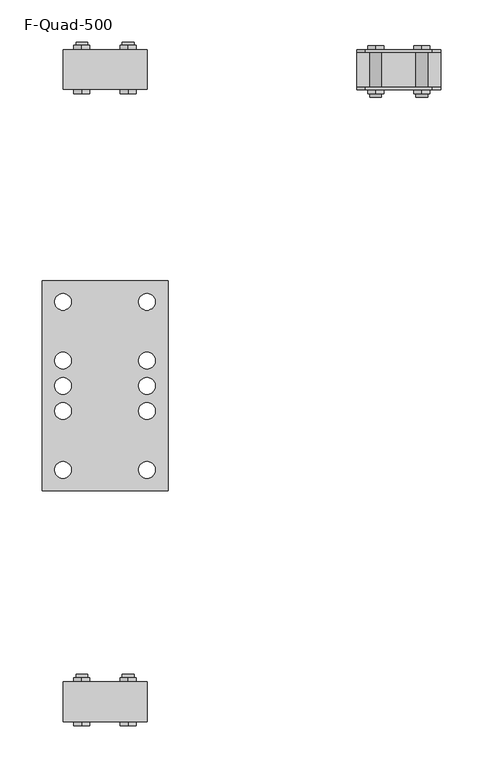
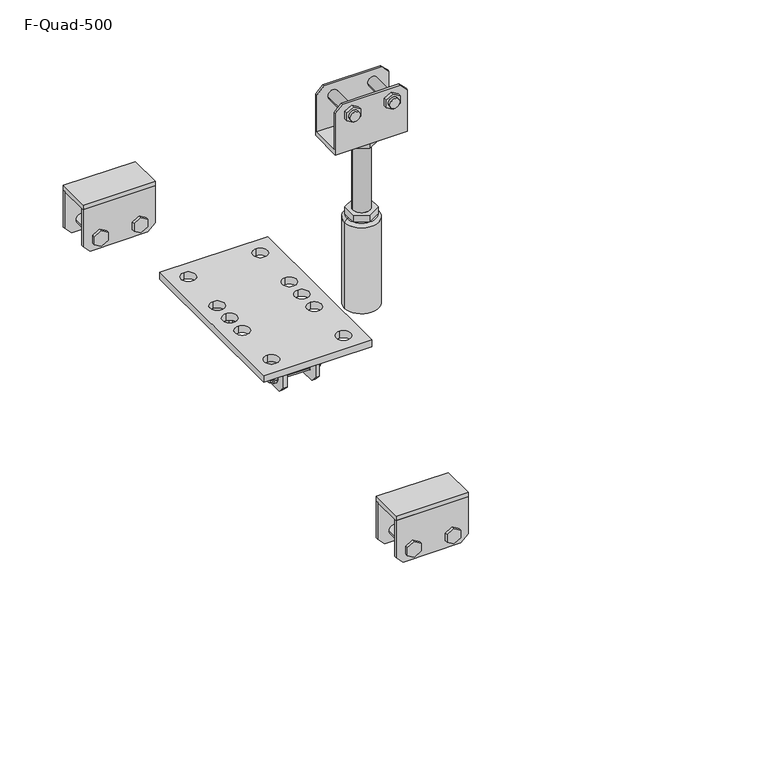
"""IFC4 building model written with IfcOpenShell, lengths in millimetres: beam geometry, F-Quad-500."""

from ifc_helpers import new_model, si_unit, point, frame, frame_2d, origin, place, context, project, spatial, polyline, circle_curve, trimmed, segment, composite_curve, outline, extrude, source, transform, mapped, element, save
from ifc_brep_helpers import plane_surface, cylinder_surface, revolved_surface, advanced_brep


def f_quad_500_01704da3(model_context):
    return source(origin(), model_context, "Body", "SolidModel", [
        extrude(outline(polyline([(318.0757687, 299.4463319), (313.7739454, 293.3026916), (306.3024852, 293.9563597), (303.1328482, 300.7536681), (307.4346715, 306.8973084), (314.9061317, 306.2436403), (318.0757687, 299.4463319)])), frame((320.0, 0.0, 0.0), z_axis=(1.0, 0.0, 0.0), x_axis=(0.0, 1.0, 0.0)), (0.0, 0.0, 1.0), 5.0),
        extrude(outline(polyline([(438.7260546, 306.8973084), (446.1975148, 306.2436403), (449.3671518, 299.4463319), (445.0653285, 293.3026916), (437.5938683, 293.9563597), (434.4242313, 300.7536681), (438.7260546, 306.8973084)])), frame((320.0, 0.0, 0.0), z_axis=(1.0, 0.0, 0.0), x_axis=(0.0, 1.0, 0.0)), (0.0, 0.0, 1.0), 5.0),
        extrude(outline(polyline([(307.4346715, 306.8973084), (314.9061317, 306.2436403), (318.0757687, 299.4463319), (313.7739454, 293.3026916), (306.3024852, 293.9563597), (303.1328482, 300.7536681), (307.4346715, 306.8973084)]), holes=[composite_curve([segment(trimmed(circle_curve(frame_2d((310.6043085, 300.1)), 5.0), [point((305.6043085, 300.1))], [point((315.6043085, 300.1))], True, "CARTESIAN"), True, "CONTINUOUS"), segment(trimmed(circle_curve(frame_2d((310.6043085, 300.1)), 5.0), [point((315.6043085, 300.1))], [point((305.6043085, 300.1))], True, "CARTESIAN"), True, "CONTINUOUS")], self_intersect=False)]), frame((375.0, 0.0, 0.0), z_axis=(1.0, 0.0, 0.0), x_axis=(0.0, 1.0, 0.0)), (0.0, 0.0, 1.0), 5.0),
        extrude(outline(polyline([(438.7260546, 306.8973084), (446.1975148, 306.2436403), (449.3671518, 299.4463319), (445.0653285, 293.3026916), (437.5938683, 293.9563597), (434.4242313, 300.7536681), (438.7260546, 306.8973084)]), holes=[composite_curve([segment(trimmed(circle_curve(frame_2d((441.8956915, 300.1)), 5.0), [point((436.8956915, 300.1))], [point((446.8956915, 300.1))], True, "CARTESIAN"), True, "CONTINUOUS"), segment(trimmed(circle_curve(frame_2d((441.8956915, 300.1)), 5.0), [point((446.8956915, 300.1))], [point((436.8956915, 300.1))], True, "CARTESIAN"), True, "CONTINUOUS")], self_intersect=False)]), frame((375.0, 0.0, 0.0), z_axis=(1.0, 0.0, 0.0), x_axis=(0.0, 1.0, 0.0)), (0.0, 0.0, 1.0), 5.0),
        extrude(outline(composite_curve([segment(trimmed(circle_curve(frame_2d((310.6043085, 300.1)), 5.0), [point((315.6043085, 300.1))], [point((305.6043085, 300.1))], False, "CARTESIAN"), True, "CONTINUOUS"), segment(trimmed(circle_curve(frame_2d((310.6043085, 300.1)), 5.0), [point((305.6043085, 300.1))], [point((315.6043085, 300.1))], False, "CARTESIAN"), True, "CONTINUOUS")], self_intersect=False)), frame((315.760692, 0.0, 0.0), z_axis=(1.0, 0.0, 0.0), x_axis=(0.0, 1.0, 0.0)), (0.0, 0.0, 1.0), 69.4002716),
        extrude(outline(composite_curve([segment(trimmed(circle_curve(frame_2d((441.8956915, 300.1)), 5.0), [point((446.8956915, 300.1))], [point((436.8956915, 300.1))], False, "CARTESIAN"), True, "CONTINUOUS"), segment(trimmed(circle_curve(frame_2d((441.8956915, 300.1)), 5.0), [point((436.8956915, 300.1))], [point((446.8956915, 300.1))], False, "CARTESIAN"), True, "CONTINUOUS")], self_intersect=False)), frame((315.760692, 0.0, 0.0), z_axis=(1.0, 0.0, 0.0), x_axis=(0.0, 1.0, 0.0)), (0.0, 0.0, 1.0), 69.4002716),
        extrude(outline(polyline([(421.8956915, 345.1), (461.8956915, 345.1), (461.8956915, 295.1), (451.8956915, 285.1), (431.8956915, 285.1), (421.8956915, 295.1), (421.8956915, 345.1)]), holes=[composite_curve([segment(trimmed(circle_curve(frame_2d((441.8956915, 300.1)), 5.0), [point((446.8956915, 300.1))], [point((436.8956915, 300.1))], True, "CARTESIAN"), True, "CONTINUOUS"), segment(trimmed(circle_curve(frame_2d((441.8956915, 300.1)), 5.0), [point((436.8956915, 300.1))], [point((446.8956915, 300.1))], True, "CARTESIAN"), True, "CONTINUOUS")], self_intersect=False)]), frame((325.0, 0.0, 0.0), z_axis=(1.0, 0.0, 0.0), x_axis=(0.0, 1.0, 0.0)), (0.0, 0.0, 1.0), 5.0),
        extrude(outline(polyline([(330.6043085, 345.1), (330.6043085, 295.1), (320.6043085, 285.1), (300.6043085, 285.1), (290.6043085, 295.1), (290.6043085, 345.1), (330.6043085, 345.1)]), holes=[composite_curve([segment(trimmed(circle_curve(frame_2d((310.6043085, 300.1)), 5.0), [point((305.6043085, 300.1))], [point((315.6043085, 300.1))], True, "CARTESIAN"), True, "CONTINUOUS"), segment(trimmed(circle_curve(frame_2d((310.6043085, 300.1)), 5.0), [point((315.6043085, 300.1))], [point((305.6043085, 300.1))], True, "CARTESIAN"), True, "CONTINUOUS")], self_intersect=False)]), frame((325.0, 0.0, 0.0), z_axis=(1.0, 0.0, 0.0), x_axis=(0.0, 1.0, 0.0)), (0.0, 0.0, 1.0), 5.0),
        extrude(outline(polyline([(421.8956915, 345.1), (461.8956915, 345.1), (461.8956915, 295.1), (451.8956915, 285.1), (431.8956915, 285.1), (421.8956915, 295.1), (421.8956915, 345.1)]), holes=[composite_curve([segment(trimmed(circle_curve(frame_2d((441.8956915, 300.1)), 5.0), [point((446.8956915, 300.1))], [point((436.8956915, 300.1))], True, "CARTESIAN"), True, "CONTINUOUS"), segment(trimmed(circle_curve(frame_2d((441.8956915, 300.1)), 5.0), [point((436.8956915, 300.1))], [point((446.8956915, 300.1))], True, "CARTESIAN"), True, "CONTINUOUS")], self_intersect=False)]), frame((370.0, 0.0, 0.0), z_axis=(1.0, 0.0, 0.0), x_axis=(0.0, 1.0, 0.0)), (0.0, 0.0, 1.0), 5.0),
        extrude(outline(polyline([(330.6043085, 345.1), (330.6043085, 295.1), (320.6043085, 285.1), (300.6043085, 285.1), (290.6043085, 295.1), (290.6043085, 345.1), (330.6043085, 345.1)]), holes=[composite_curve([segment(trimmed(circle_curve(frame_2d((310.6043085, 300.1)), 5.0), [point((305.6043085, 300.1))], [point((315.6043085, 300.1))], True, "CARTESIAN"), True, "CONTINUOUS"), segment(trimmed(circle_curve(frame_2d((310.6043085, 300.1)), 5.0), [point((315.6043085, 300.1))], [point((305.6043085, 300.1))], True, "CARTESIAN"), True, "CONTINUOUS")], self_intersect=False)]), frame((370.0, 0.0, 0.0), z_axis=(1.0, 0.0, 0.0), x_axis=(0.0, 1.0, 0.0)), (0.0, 0.0, 1.0), 5.0),
        extrude(outline(polyline([(425.0, 501.25), (425.0, 251.25), (275.0, 251.25), (275.0, 501.25), (425.0, 501.25)]), holes=[composite_curve([segment(trimmed(circle_curve(frame_2d((300.0, 276.25)), 10.0), [point((300.0, 266.25))], [point((300.0, 286.25))], True, "CARTESIAN"), True, "CONTINUOUS"), segment(trimmed(circle_curve(frame_2d((300.0, 276.25)), 10.0), [point((300.0, 286.25))], [point((300.0, 266.25))], True, "CARTESIAN"), True, "CONTINUOUS")], self_intersect=False), composite_curve([segment(trimmed(circle_curve(frame_2d((300.0, 376.25)), 10.0), [point((300.0, 366.25))], [point((300.0, 386.25))], True, "CARTESIAN"), True, "CONTINUOUS"), segment(trimmed(circle_curve(frame_2d((300.0, 376.25)), 10.0), [point((300.0, 386.25))], [point((300.0, 366.25))], True, "CARTESIAN"), True, "CONTINUOUS")], self_intersect=False), composite_curve([segment(trimmed(circle_curve(frame_2d((300.0, 346.25)), 10.0), [point((300.0, 336.25))], [point((300.0, 356.25))], True, "CARTESIAN"), True, "CONTINUOUS"), segment(trimmed(circle_curve(frame_2d((300.0, 346.25)), 10.0), [point((300.0, 356.25))], [point((300.0, 336.25))], True, "CARTESIAN"), True, "CONTINUOUS")], self_intersect=False), composite_curve([segment(trimmed(circle_curve(frame_2d((300.0, 476.25)), 10.0), [point((300.0, 486.25))], [point((300.0, 466.25))], True, "CARTESIAN"), True, "CONTINUOUS"), segment(trimmed(circle_curve(frame_2d((300.0, 476.25)), 10.0), [point((300.0, 466.25))], [point((300.0, 486.25))], True, "CARTESIAN"), True, "CONTINUOUS")], self_intersect=False), composite_curve([segment(trimmed(circle_curve(frame_2d((300.0, 406.25)), 10.0), [point((300.0, 416.25))], [point((300.0, 396.25))], True, "CARTESIAN"), True, "CONTINUOUS"), segment(trimmed(circle_curve(frame_2d((300.0, 406.25)), 10.0), [point((300.0, 396.25))], [point((300.0, 416.25))], True, "CARTESIAN"), True, "CONTINUOUS")], self_intersect=False), composite_curve([segment(trimmed(circle_curve(frame_2d((400.0, 276.25)), 10.0), [point((400.0, 266.25))], [point((400.0, 286.25))], True, "CARTESIAN"), True, "CONTINUOUS"), segment(trimmed(circle_curve(frame_2d((400.0, 276.25)), 10.0), [point((400.0, 286.25))], [point((400.0, 266.25))], True, "CARTESIAN"), True, "CONTINUOUS")], self_intersect=False), composite_curve([segment(trimmed(circle_curve(frame_2d((400.0, 376.25)), 10.0), [point((400.0, 366.25))], [point((400.0, 386.25))], True, "CARTESIAN"), True, "CONTINUOUS"), segment(trimmed(circle_curve(frame_2d((400.0, 376.25)), 10.0), [point((400.0, 386.25))], [point((400.0, 366.25))], True, "CARTESIAN"), True, "CONTINUOUS")], self_intersect=False), composite_curve([segment(trimmed(circle_curve(frame_2d((400.0, 346.25)), 10.0), [point((400.0, 336.25))], [point((400.0, 356.25))], True, "CARTESIAN"), True, "CONTINUOUS"), segment(trimmed(circle_curve(frame_2d((400.0, 346.25)), 10.0), [point((400.0, 356.25))], [point((400.0, 336.25))], True, "CARTESIAN"), True, "CONTINUOUS")], self_intersect=False), composite_curve([segment(trimmed(circle_curve(frame_2d((400.0, 476.25)), 10.0), [point((400.0, 486.25))], [point((400.0, 466.25))], True, "CARTESIAN"), True, "CONTINUOUS"), segment(trimmed(circle_curve(frame_2d((400.0, 476.25)), 10.0), [point((400.0, 466.25))], [point((400.0, 486.25))], True, "CARTESIAN"), True, "CONTINUOUS")], self_intersect=False), composite_curve([segment(trimmed(circle_curve(frame_2d((400.0, 406.25)), 10.0), [point((400.0, 416.25))], [point((400.0, 396.25))], True, "CARTESIAN"), True, "CONTINUOUS"), segment(trimmed(circle_curve(frame_2d((400.0, 406.25)), 10.0), [point((400.0, 396.25))], [point((400.0, 416.25))], True, "CARTESIAN"), True, "CONTINUOUS")], self_intersect=False)]), frame((0.0, 0.0, 345.1), z_axis=(0.0, 0.0, 1.0), x_axis=(1.0, 0.0, 0.0)), (0.0, 0.0, 1.0), 10.0),
        extrude(outline(polyline([(246.0, 300.0), (236.0, 310.0), (236.0, 390.0), (246.0, 400.0), (300.0, 400.0), (300.0, 300.0), (246.0, 300.0)])), frame((0.0, 728.95, 0.0), z_axis=(0.0, 1.0, 0.0), x_axis=(0.0, 0.0, 1.0)), (0.0, 0.0, 1.0), 3.0),
        extrude(outline(polyline([(246.0, 400.0), (300.0, 400.0), (300.0, 300.0), (246.0, 300.0), (236.0, 310.0), (236.0, 390.0), (246.0, 400.0)])), frame((0.0, 773.45, 0.0), z_axis=(0.0, 1.0, 0.0), x_axis=(0.0, 0.0, 1.0)), (0.0, 0.0, 1.0), 3.0),
        extrude(outline(polyline([(247.4686675, 387.0805489), (258.5313325, 387.0805489), (264.062665, 377.5), (258.5313325, 367.9194511), (247.4686675, 367.9194511), (241.937335, 377.5), (247.4686675, 387.0805489)])), frame((0.0, 776.45, 0.0), z_axis=(0.0, 1.0, 0.0), x_axis=(0.0, 0.0, 1.0)), (0.0, 0.0, 1.0), 5.0),
        extrude(outline(composite_curve([segment(trimmed(circle_curve(frame_2d((253.0, 322.5)), 7.0), [point((253.0, 329.5))], [point((253.0, 315.5))], False, "CARTESIAN"), True, "CONTINUOUS"), segment(trimmed(circle_curve(frame_2d((253.0, 322.5)), 7.0), [point((253.0, 315.5))], [point((253.0, 329.5))], False, "CARTESIAN"), True, "CONTINUOUS")], self_intersect=False)), frame((0.0, 729.046753, 0.0), z_axis=(0.0, 1.0, 0.0), x_axis=(0.0, 0.0, 1.0)), (0.0, 0.0, 1.0), 56.3481376),
        extrude(outline(composite_curve([segment(trimmed(circle_curve(frame_2d((253.0, 377.5)), 7.0), [point((253.0, 384.5))], [point((253.0, 370.5))], False, "CARTESIAN"), True, "CONTINUOUS"), segment(trimmed(circle_curve(frame_2d((253.0, 377.5)), 7.0), [point((253.0, 370.5))], [point((253.0, 384.5))], False, "CARTESIAN"), True, "CONTINUOUS")], self_intersect=False)), frame((0.0, 729.046753, 0.0), z_axis=(0.0, 1.0, 0.0), x_axis=(0.0, 0.0, 1.0)), (0.0, 0.0, 1.0), 56.3481376),
        extrude(outline(polyline([(241.937335, 322.5), (247.4686675, 332.0805489), (258.5313325, 332.0805489), (264.062665, 322.5), (258.5313325, 312.9194511), (247.4686675, 312.9194511), (241.937335, 322.5)])), frame((0.0, 724.046753, 0.0), z_axis=(0.0, 1.0, 0.0), x_axis=(0.0, 0.0, 1.0)), (0.0, 0.0, 1.0), 5.0),
        extrude(outline(polyline([(241.937335, 377.5), (247.4686675, 387.0805489), (258.5313325, 387.0805489), (264.062665, 377.5), (258.5313325, 367.9194511), (247.4686675, 367.9194511), (241.937335, 377.5)])), frame((0.0, 724.046753, 0.0), z_axis=(0.0, 1.0, 0.0), x_axis=(0.0, 0.0, 1.0)), (0.0, 0.0, 1.0), 5.0),
        extrude(outline(polyline([(247.4686675, 332.0805489), (258.5313325, 332.0805489), (264.062665, 322.5), (258.5313325, 312.9194511), (247.4686675, 312.9194511), (241.937335, 322.5), (247.4686675, 332.0805489)])), frame((0.0, 776.45, 0.0), z_axis=(0.0, 1.0, 0.0), x_axis=(0.0, 0.0, 1.0)), (0.0, 0.0, 1.0), 5.0),
        extrude(outline(polyline([(300.0, 728.95), (300.0, 776.45), (400.0, 776.45), (400.0, 728.95), (300.0, 728.95)])), frame((0.0, 0.0, 300.0), z_axis=(0.0, 0.0, 1.0), x_axis=(1.0, 0.0, 0.0)), (0.0, 0.0, 1.0), 7.0),
        extrude(outline(polyline([(246.0, 300.0), (236.0, 310.0), (236.0, 390.0), (246.0, 400.0), (300.0, 400.0), (300.0, 300.0), (246.0, 300.0)])), frame((0.0, -23.55, 0.0), z_axis=(0.0, 1.0, 0.0), x_axis=(0.0, 0.0, 1.0)), (0.0, 0.0, 1.0), 3.0),
        extrude(outline(polyline([(246.0, 400.0), (300.0, 400.0), (300.0, 300.0), (246.0, 300.0), (236.0, 310.0), (236.0, 390.0), (246.0, 400.0)])), frame((0.0, 20.95, 0.0), z_axis=(0.0, 1.0, 0.0), x_axis=(0.0, 0.0, 1.0)), (0.0, 0.0, 1.0), 3.0),
        extrude(outline(polyline([(247.4686675, 387.0805489), (258.5313325, 387.0805489), (264.062665, 377.5), (258.5313325, 367.9194511), (247.4686675, 367.9194511), (241.937335, 377.5), (247.4686675, 387.0805489)])), frame((0.0, 23.95, 0.0), z_axis=(0.0, 1.0, 0.0), x_axis=(0.0, 0.0, 1.0)), (0.0, 0.0, 1.0), 5.0),
        extrude(outline(composite_curve([segment(trimmed(circle_curve(frame_2d((253.0, 322.5)), 7.0), [point((253.0, 329.5))], [point((253.0, 315.5))], False, "CARTESIAN"), True, "CONTINUOUS"), segment(trimmed(circle_curve(frame_2d((253.0, 322.5)), 7.0), [point((253.0, 315.5))], [point((253.0, 329.5))], False, "CARTESIAN"), True, "CONTINUOUS")], self_intersect=False)), frame((0.0, -23.453247, 0.0), z_axis=(0.0, 1.0, 0.0), x_axis=(0.0, 0.0, 1.0)), (0.0, 0.0, 1.0), 56.3481376),
        extrude(outline(composite_curve([segment(trimmed(circle_curve(frame_2d((253.0, 377.5)), 7.0), [point((253.0, 384.5))], [point((253.0, 370.5))], False, "CARTESIAN"), True, "CONTINUOUS"), segment(trimmed(circle_curve(frame_2d((253.0, 377.5)), 7.0), [point((253.0, 370.5))], [point((253.0, 384.5))], False, "CARTESIAN"), True, "CONTINUOUS")], self_intersect=False)), frame((0.0, -23.453247, 0.0), z_axis=(0.0, 1.0, 0.0), x_axis=(0.0, 0.0, 1.0)), (0.0, 0.0, 1.0), 56.3481376),
        extrude(outline(polyline([(241.937335, 322.5), (247.4686675, 332.0805489), (258.5313325, 332.0805489), (264.062665, 322.5), (258.5313325, 312.9194511), (247.4686675, 312.9194511), (241.937335, 322.5)])), frame((0.0, -28.453247, 0.0), z_axis=(0.0, 1.0, 0.0), x_axis=(0.0, 0.0, 1.0)), (0.0, 0.0, 1.0), 5.0),
        extrude(outline(polyline([(241.937335, 377.5), (247.4686675, 387.0805489), (258.5313325, 387.0805489), (264.062665, 377.5), (258.5313325, 367.9194511), (247.4686675, 367.9194511), (241.937335, 377.5)])), frame((0.0, -28.453247, 0.0), z_axis=(0.0, 1.0, 0.0), x_axis=(0.0, 0.0, 1.0)), (0.0, 0.0, 1.0), 5.0),
        extrude(outline(polyline([(247.4686675, 332.0805489), (258.5313325, 332.0805489), (264.062665, 322.5), (258.5313325, 312.9194511), (247.4686675, 312.9194511), (241.937335, 322.5), (247.4686675, 332.0805489)])), frame((0.0, 23.95, 0.0), z_axis=(0.0, 1.0, 0.0), x_axis=(0.0, 0.0, 1.0)), (0.0, 0.0, 1.0), 5.0),
        extrude(outline(polyline([(300.0, -23.55), (300.0, 23.95), (400.0, 23.95), (400.0, -23.55), (300.0, -23.55)])), frame((0.0, 0.0, 300.0), z_axis=(0.0, 0.0, 1.0), x_axis=(1.0, 0.0, 0.0)), (0.0, 0.0, 1.0), 7.0),
        advanced_brep(
        [(650.0, 731.75, 265.0), (750.0, 731.75, 265.0), (750.0, 773.25, 265.0), (650.0, 773.25, 265.0), (750.0, 776.25, 258.0), (750.0, 728.75, 258.0), (650.0, 728.75, 258.0), (650.0, 776.25, 258.0), (727.5, 781.153247, 323.062665), (737.0805489, 781.153247, 317.5313325), (737.0805489, 781.153247, 306.4686675), (727.5, 781.153247, 300.937335), (717.9194511, 781.153247, 306.4686675), (717.9194511, 781.153247, 317.5313325), (672.5, 781.153247, 323.062665), (682.0805489, 781.153247, 317.5313325), (682.0805489, 781.153247, 306.4686675), (672.5, 781.153247, 300.937335), (662.9194511, 781.153247, 306.4686675), (662.9194511, 781.153247, 317.5313325), (727.5, 776.153247, 323.062665), (737.0805489, 776.25, 317.5313325), (737.0805489, 776.25, 306.4686675), (727.5, 776.25, 300.937335), (717.9194511, 776.25, 306.4686675), (717.9194511, 776.25, 317.5313325), (672.5, 776.153247, 323.062665), (682.0805489, 776.25, 317.5313325), (682.0805489, 776.25, 306.4686675), (672.5, 776.25, 300.937335), (662.9194511, 776.25, 306.4686675), (662.9194511, 776.25, 317.5313325), (717.9194511, 723.75, 317.5313325), (717.9194511, 723.75, 306.4686675), (727.5, 723.75, 300.937335), (737.0805489, 723.75, 306.4686675), (737.0805489, 723.75, 317.5313325), (727.5, 723.75, 323.062665), (720.5, 723.75, 312.0), (734.5, 723.75, 312.0), (717.9194511, 728.75, 317.5313325), (717.9194511, 728.75, 306.4686675), (727.5, 728.75, 300.937335), (737.0805489, 728.75, 306.4686675), (737.0805489, 728.75, 317.5313325), (727.5, 728.75, 323.062665), (662.9194511, 723.75, 317.5313325), (662.9194511, 723.75, 306.4686675), (672.5, 723.75, 300.937335), (682.0805489, 723.75, 306.4686675), (682.0805489, 723.75, 317.5313325), (672.5, 723.75, 323.062665), (665.5, 723.75, 312.0), (679.5, 723.75, 312.0), (662.9194511, 728.75, 317.5313325), (662.9194511, 728.75, 306.4686675), (672.5, 728.75, 300.937335), (682.0805489, 728.75, 306.4686675), (682.0805489, 728.75, 317.5313325), (672.5, 728.75, 323.062665), (650.0, 731.75, 319.0), (660.0, 731.75, 329.0), (740.0, 731.75, 329.0), (750.0, 731.75, 319.0), (734.5, 731.75, 312.0), (720.5, 731.75, 312.0), (679.5, 731.75, 312.0), (665.5, 731.75, 312.0), (740.0, 728.75, 329.0), (750.0, 728.75, 319.0), (660.0, 728.75, 329.0), (650.0, 728.75, 319.0), (750.0, 773.25, 319.0), (740.0, 773.25, 329.0), (660.0, 773.25, 329.0), (650.0, 773.25, 319.0), (720.5, 773.25, 312.0), (734.5, 773.25, 312.0), (665.5, 773.25, 312.0), (679.5, 773.25, 312.0), (750.0, 776.25, 319.0), (740.0, 776.25, 329.0), (660.0, 776.25, 329.0), (650.0, 776.25, 319.0), (720.5, 719.8051094, 312.0), (734.5, 719.8051094, 312.0), (665.5, 719.8051094, 312.0), (679.5, 719.8051094, 312.0)],
        [
            (0, 1),
            (1, 2),
            (2, 3),
            (3, 0),
            (4, 5),
            (5, 6),
            (6, 7),
            (7, 4),
            (8, 9),
            (9, 10),
            (10, 11),
            (11, 12),
            (12, 13),
            (13, 8),
            (14, 15),
            (15, 16),
            (16, 17),
            (17, 18),
            (18, 19),
            (19, 14),
            (8, 20),
            (20, 21),
            (21, 9),
            (21, 22),
            (22, 10),
            (22, 23),
            (23, 11),
            (23, 24),
            (24, 12),
            (24, 25),
            (25, 13),
            (25, 20),
            (14, 26),
            (26, 27),
            (27, 15),
            (27, 28),
            (28, 16),
            (28, 29),
            (29, 17),
            (29, 30),
            (30, 18),
            (30, 31),
            (31, 19),
            (31, 26),
            (32, 33),
            (33, 34),
            (34, 35),
            (35, 36),
            (36, 37),
            (37, 32),
            (38, 39, circle_curve(frame((727.5, 723.75, 312.0), z_axis=(0.0, 1.0, 0.0), x_axis=(-1.0, 0.0, 0.0)), 7.0)),
            (39, 38, circle_curve(frame((727.5, 723.75, 312.0), z_axis=(0.0, 1.0, 0.0), x_axis=(-1.0, 0.0, 0.0)), 7.0)),
            (32, 40),
            (40, 41),
            (41, 33),
            (41, 42),
            (42, 34),
            (42, 43),
            (43, 35),
            (43, 44),
            (44, 36),
            (44, 45),
            (45, 37),
            (45, 40),
            (46, 47),
            (47, 48),
            (48, 49),
            (49, 50),
            (50, 51),
            (51, 46),
            (52, 53, circle_curve(frame((672.5, 723.75, 312.0), z_axis=(0.0, 1.0, 0.0), x_axis=(-1.0, 0.0, 0.0)), 7.0)),
            (53, 52, circle_curve(frame((672.5, 723.75, 312.0), z_axis=(0.0, 1.0, 0.0), x_axis=(-1.0, 0.0, 0.0)), 7.0)),
            (46, 54),
            (54, 55),
            (55, 47),
            (55, 56),
            (56, 48),
            (56, 57),
            (57, 49),
            (57, 58),
            (58, 50),
            (58, 59),
            (59, 51),
            (59, 54),
            (60, 61),
            (61, 62),
            (62, 63),
            (63, 1),
            (0, 60),
            (64, 65, circle_curve(frame((727.5, 731.75, 312.0), z_axis=(0.0, -1.0, 0.0), x_axis=(-1.0, 0.0, 0.0)), 7.0)),
            (65, 64, circle_curve(frame((727.5, 731.75, 312.0), z_axis=(0.0, -1.0, 0.0), x_axis=(-1.0, 0.0, 0.0)), 7.0)),
            (66, 67, circle_curve(frame((672.5, 731.75, 312.0), z_axis=(0.0, -1.0, 0.0), x_axis=(-1.0, 0.0, 0.0)), 7.0)),
            (67, 66, circle_curve(frame((672.5, 731.75, 312.0), z_axis=(0.0, -1.0, 0.0), x_axis=(-1.0, 0.0, 0.0)), 7.0)),
            (62, 68),
            (68, 69),
            (69, 63),
            (61, 70),
            (70, 68),
            (60, 71),
            (71, 70),
            (72, 73),
            (73, 74),
            (74, 75),
            (75, 3),
            (2, 72),
            (76, 77, circle_curve(frame((727.5, 773.25, 312.0), z_axis=(0.0, 1.0, 0.0), x_axis=(-1.0, 0.0, 0.0)), 7.0)),
            (77, 76, circle_curve(frame((727.5, 773.25, 312.0), z_axis=(0.0, 1.0, 0.0), x_axis=(-1.0, 0.0, 0.0)), 7.0)),
            (78, 79, circle_curve(frame((672.5, 773.25, 312.0), z_axis=(0.0, 1.0, 0.0), x_axis=(-1.0, 0.0, 0.0)), 7.0)),
            (79, 78, circle_curve(frame((672.5, 773.25, 312.0), z_axis=(0.0, 1.0, 0.0), x_axis=(-1.0, 0.0, 0.0)), 7.0)),
            (80, 81),
            (81, 73),
            (72, 80),
            (81, 82),
            (82, 74),
            (82, 83),
            (83, 75),
            (7, 83),
            (80, 4),
            (6, 71),
            (5, 69),
            (84, 85, circle_curve(frame((727.5, 719.8051094, 312.0), z_axis=(0.0, -1.0, 0.0), x_axis=(-1.0, 0.0, 0.0)), 7.0)),
            (85, 84, circle_curve(frame((727.5, 719.8051094, 312.0), z_axis=(0.0, -1.0, 0.0), x_axis=(-1.0, 0.0, 0.0)), 7.0)),
            (86, 87, circle_curve(frame((672.5, 719.8051094, 312.0), z_axis=(0.0, -1.0, 0.0), x_axis=(-1.0, 0.0, 0.0)), 7.0)),
            (87, 86, circle_curve(frame((672.5, 719.8051094, 312.0), z_axis=(0.0, -1.0, 0.0), x_axis=(-1.0, 0.0, 0.0)), 7.0)),
            (85, 39),
            (38, 84),
            (64, 77),
            (76, 65),
            (87, 53),
            (52, 86),
            (66, 79),
            (78, 67),
        ],
        [
            plane_surface(frame((700.0, 776.25, 265.0), z_axis=(0.0, 0.0, 1.0), x_axis=(-1.0, 0.0, 0.0))),
            plane_surface(frame((700.0, 776.25, 258.0), z_axis=(0.0, 0.0, -1.0), x_axis=(1.0, 0.0, 0.0))),
            plane_surface(frame((727.5, 781.153247, 323.062665), z_axis=(0.0, 1.0, 0.0), x_axis=(0.866025403784437, 0.0, -0.5000000000000028))),
            plane_surface(frame((727.5, 781.153247, 323.062665), z_axis=(0.5000000000000028, 0.0, 0.866025403784437), x_axis=(0.0, -1.0, 0.0))),
            plane_surface(frame((737.0805489, 781.153247, 317.5313325), z_axis=(1.0, 0.0, 0.0), x_axis=(0.0, -1.0, 0.0))),
            plane_surface(frame((737.0805489, 781.153247, 306.4686675), z_axis=(0.4999999999999971, 0.0, -0.8660254037844404), x_axis=(0.0, -1.0, 0.0))),
            plane_surface(frame((727.5, 781.153247, 300.937335), z_axis=(-0.5000000000000031, 0.0, -0.8660254037844369), x_axis=(0.0, -1.0, 0.0))),
            plane_surface(frame((717.9194511, 781.153247, 306.4686675), z_axis=(-1.0, 0.0, 0.0), x_axis=(0.0, -1.0, 0.0))),
            plane_surface(frame((717.9194511, 781.153247, 317.5313325), z_axis=(-0.4999999999999962, 0.0, 0.8660254037844408), x_axis=(0.0, -1.0, 0.0))),
            plane_surface(frame((672.5, 781.153247, 323.062665), z_axis=(0.5000000000000028, 0.0, 0.866025403784437), x_axis=(0.0, -1.0, 0.0))),
            plane_surface(frame((682.0805489, 781.153247, 317.5313325), z_axis=(1.0, 0.0, 0.0), x_axis=(0.0, -1.0, 0.0))),
            plane_surface(frame((682.0805489, 781.153247, 306.4686675), z_axis=(0.4999999999999972, 0.0, -0.8660254037844403), x_axis=(0.0, -1.0, 0.0))),
            plane_surface(frame((672.5, 781.153247, 300.937335), z_axis=(-0.5000000000000029, 0.0, -0.866025403784437), x_axis=(0.0, -1.0, 0.0))),
            plane_surface(frame((662.9194511, 781.153247, 306.4686675), z_axis=(-1.0, 0.0, 0.0), x_axis=(0.0, -1.0, 0.0))),
            plane_surface(frame((662.9194511, 781.153247, 317.5313325), z_axis=(-0.49999999999999617, 0.0, 0.8660254037844409), x_axis=(0.0, -1.0, 0.0))),
            plane_surface(frame((717.9194511, 723.75, 317.5313325), z_axis=(0.0, -1.0, 0.0), x_axis=(0.0, 0.0, -1.0))),
            plane_surface(frame((717.9194511, 723.75, 317.5313325), z_axis=(-1.0, 0.0, 0.0), x_axis=(0.0, 1.0, 0.0))),
            plane_surface(frame((717.9194511, 723.75, 306.4686675), z_axis=(-0.500000000000003, 0.0, -0.866025403784437), x_axis=(0.0, 1.0, 0.0))),
            plane_surface(frame((727.5, 723.75, 300.937335), z_axis=(0.4999999999999972, 0.0, -0.8660254037844403), x_axis=(0.0, 1.0, 0.0))),
            plane_surface(frame((737.0805489, 723.75, 306.4686675), z_axis=(1.0, 0.0, 0.0), x_axis=(0.0, 1.0, 0.0))),
            plane_surface(frame((737.0805489, 723.75, 317.5313325), z_axis=(0.5000000000000038, 0.0, 0.8660254037844366), x_axis=(0.0, 1.0, 0.0))),
            plane_surface(frame((727.5, 723.75, 323.062665), z_axis=(-0.4999999999999978, 0.0, 0.8660254037844399), x_axis=(0.0, 1.0, 0.0))),
            plane_surface(frame((662.9194511, 723.75, 317.5313325), z_axis=(0.0, -1.0, 0.0), x_axis=(0.0, 0.0, -1.0))),
            plane_surface(frame((662.9194511, 723.75, 317.5313325), z_axis=(-1.0, 0.0, 0.0), x_axis=(0.0, 1.0, 0.0))),
            plane_surface(frame((662.9194511, 723.75, 306.4686675), z_axis=(-0.5000000000000031, 0.0, -0.8660254037844368), x_axis=(0.0, 1.0, 0.0))),
            plane_surface(frame((672.5, 723.75, 300.937335), z_axis=(0.49999999999999717, 0.0, -0.8660254037844404), x_axis=(0.0, 1.0, 0.0))),
            plane_surface(frame((682.0805489, 723.75, 306.4686675), z_axis=(1.0, 0.0, 0.0), x_axis=(0.0, 1.0, 0.0))),
            plane_surface(frame((682.0805489, 723.75, 317.5313325), z_axis=(0.5000000000000036, 0.0, 0.8660254037844367), x_axis=(0.0, 1.0, 0.0))),
            plane_surface(frame((672.5, 723.75, 323.062665), z_axis=(-0.4999999999999981, 0.0, 0.8660254037844398), x_axis=(0.0, 1.0, 0.0))),
            plane_surface(frame((650.0, 731.75, 319.0), z_axis=(0.0, 1.0, 0.0), x_axis=(0.0, 0.0, 1.0))),
            plane_surface(frame((750.0, 728.75, 319.0), z_axis=(0.7071067811865493, 0.0, 0.7071067811865457), x_axis=(0.0, 1.0, 0.0))),
            plane_surface(frame((740.0, 728.75, 329.0), z_axis=(0.0, 0.0, 1.0), x_axis=(0.0, 1.0, 0.0))),
            plane_surface(frame((660.0, 728.75, 329.0), z_axis=(-0.707106781186547, 0.0, 0.7071067811865481), x_axis=(0.0, 1.0, 0.0))),
            plane_surface(frame((740.0, 773.25, 329.0), z_axis=(0.0, -1.0, 0.0), x_axis=(-0.7071067811865458, 0.0, 0.7071067811865493))),
            plane_surface(frame((750.0, 773.25, 319.0), z_axis=(0.7071067811865493, 0.0, 0.7071067811865458), x_axis=(0.0, 1.0, 0.0))),
            plane_surface(frame((740.0, 773.25, 329.0), z_axis=(0.0, 0.0, 1.0), x_axis=(0.0, 1.0, 0.0))),
            plane_surface(frame((660.0, 773.25, 329.0), z_axis=(-0.7071067811865467, 0.0, 0.7071067811865485), x_axis=(0.0, 1.0, 0.0))),
            plane_surface(frame((750.0, 776.25, 265.0), z_axis=(0.0, 1.0, 0.0), x_axis=(0.0, 0.0, -1.0))),
            plane_surface(frame((650.0, 776.25, 265.0), z_axis=(-1.0, 0.0, 0.0), x_axis=(0.0, 0.0, -1.0))),
            plane_surface(frame((650.0, 728.75, 265.0), z_axis=(0.0, -1.0, 0.0), x_axis=(0.0, 0.0, -1.0))),
            plane_surface(frame((750.0, 728.75, 265.0), z_axis=(1.0, 0.0, 0.0), x_axis=(0.0, 0.0, -1.0))),
            plane_surface(frame((720.5, 719.8051094, 312.0), z_axis=(0.0, -1.0, 0.0), x_axis=(0.0, 0.0, -1.0))),
            cylinder_surface(frame((727.5, 719.8051094, 312.0), z_axis=(0.0, 1.0, 0.0), x_axis=(-1.0, 0.0, 0.0)), 7.0),
            cylinder_surface(frame((672.5, 776.153247, 312.0), z_axis=(0.0, 1.0, 0.0), x_axis=(-1.0, 0.0, 0.0)), 7.0),
        ],
        [
            (0, [[1, 2, 3, 4]]),
            (1, [[5, 6, 7, 8]]),
            (2, [[9, 10, 11, 12, 13, 14]]),
            (2, [[15, 16, 17, 18, 19, 20]]),
            (3, [[-9, 21, 22, 23]]),
            (4, [[-10, -23, 24, 25]]),
            (5, [[-11, -25, 26, 27]]),
            (6, [[-12, -27, 28, 29]]),
            (7, [[-13, -29, 30, 31]]),
            (8, [[-14, -31, 32, -21]]),
            (9, [[-15, 33, 34, 35]]),
            (10, [[-16, -35, 36, 37]]),
            (11, [[-17, -37, 38, 39]]),
            (12, [[-18, -39, 40, 41]]),
            (13, [[-19, -41, 42, 43]]),
            (14, [[-20, -43, 44, -33]]),
            (15, [[45, 46, 47, 48, 49, 50], [51, 52]]),
            (16, [[-45, 53, 54, 55]]),
            (17, [[-46, -55, 56, 57]]),
            (18, [[-47, -57, 58, 59]]),
            (19, [[-48, -59, 60, 61]]),
            (20, [[-49, -61, 62, 63]]),
            (21, [[-50, -63, 64, -53]]),
            (22, [[65, 66, 67, 68, 69, 70], [71, 72]]),
            (23, [[-65, 73, 74, 75]]),
            (24, [[-66, -75, 76, 77]]),
            (25, [[-67, -77, 78, 79]]),
            (26, [[-68, -79, 80, 81]]),
            (27, [[-69, -81, 82, 83]]),
            (28, [[-70, -83, 84, -73]]),
            (29, [[85, 86, 87, 88, -1, 89], [90, 91], [92, 93]]),
            (30, [[-87, 94, 95, 96]]),
            (31, [[-86, 97, 98, -94]]),
            (32, [[-85, 99, 100, -97]]),
            (33, [[101, 102, 103, 104, -3, 105], [106, 107], [108, 109]]),
            (34, [[110, 111, -101, 112]]),
            (35, [[113, 114, -102, -111]]),
            (36, [[115, 116, -103, -114]]),
            (37, [[-8, 117, -115, -113, -110, 118], [-22, -32, -30, -28, -26, -24], [-34, -44, -42, -40, -38, -36]]),
            (38, [[-117, -7, 119, -99, -89, -4, -104, -116]]),
            (39, [[-6, 120, -95, -98, -100, -119], [-54, -64, -62, -60, -58, -56], [-74, -84, -82, -80, -78, -76]]),
            (40, [[-5, -118, -112, -105, -2, -88, -96, -120]]),
            (41, [[121, 122]]),
            (41, [[123, 124]]),
            (42, [[-122, 125, -51, 126]]),
            (42, [[-90, 127, -106, 128]]),
            (42, [[-121, -126, -52, -125]]),
            (42, [[-91, -128, -107, -127]]),
            (43, [[-124, 129, -71, 130]]),
            (43, [[-92, 131, -108, 132]]),
            (43, [[-123, -130, -72, -129]]),
            (43, [[-93, -132, -109, -131]]),
        ],
    ),
        advanced_brep(
        [(688.0, 752.5, 248.0), (688.0, 752.5, 150.0), (712.0, 752.5, 150.0), (712.0, 752.5, 248.0), (682.6794919, 762.5, 258.0), (682.6794919, 742.5, 258.0), (700.0, 732.5, 258.0), (717.3205081, 742.5, 258.0), (717.3205081, 762.5, 258.0), (700.0, 772.5, 258.0), (682.6794919, 762.5, 248.0), (700.0, 772.5, 248.0), (717.3205081, 762.5, 248.0), (717.3205081, 742.5, 248.0), (700.0, 732.5, 248.0), (682.6794919, 742.5, 248.0), (682.6794919, 762.5, 150.0), (682.6794919, 742.5, 150.0), (700.0, 732.5, 150.0), (717.3205081, 742.5, 150.0), (717.3205081, 762.5, 150.0), (700.0, 772.5, 150.0), (682.6794919, 762.5, 140.0), (682.6794919, 752.5, 140.0), (682.6794919, 742.5, 140.0), (700.0, 732.5, 140.0), (717.3205081, 742.5, 140.0), (717.3205081, 752.5, 140.0), (717.3205081, 762.5, 140.0), (700.0, 772.5, 140.0), (680.0, 752.5, 140.0), (720.0, 752.5, 140.0), (724.0, 752.5, 136.0), (676.0, 752.5, 136.0), (724.0, 752.5, 10.0), (676.0, 752.5, 10.0), (700.0, 752.5, 10.0)],
        [
            (0, 1),
            (1, 2, circle_curve(frame((700.0, 752.5, 150.0), z_axis=(0.0, 0.0, 1.0), x_axis=(1.0, 0.0, 0.0)), 12.0)),
            (2, 3),
            (3, 0, circle_curve(frame((700.0, 752.5, 248.0), z_axis=(0.0, 0.0, -1.0), x_axis=(1.0, 0.0, 0.0)), 12.0)),
            (0, 3, circle_curve(frame((700.0, 752.5, 248.0), z_axis=(0.0, 0.0, -1.0), x_axis=(1.0, 0.0, 0.0)), 12.0)),
            (2, 1, circle_curve(frame((700.0, 752.5, 150.0), z_axis=(0.0, 0.0, 1.0), x_axis=(1.0, 0.0, 0.0)), 12.0)),
            (4, 5),
            (5, 6),
            (6, 7),
            (7, 8),
            (8, 9),
            (9, 4),
            (10, 11),
            (11, 12),
            (12, 13),
            (13, 14),
            (14, 15),
            (15, 10),
            (4, 10),
            (15, 5),
            (14, 6),
            (13, 7),
            (12, 8),
            (11, 9),
            (16, 17),
            (17, 18),
            (18, 19),
            (19, 20),
            (20, 21),
            (21, 16),
            (16, 22),
            (22, 23),
            (23, 24),
            (24, 17),
            (24, 25),
            (25, 18),
            (25, 26),
            (26, 19),
            (26, 27),
            (27, 28),
            (28, 20),
            (28, 29),
            (29, 21),
            (29, 22),
            (22, 30, circle_curve(frame((700.0, 752.5, 140.0), z_axis=(0.0, 0.0, 1.0), x_axis=(-1.0, 0.0, 0.0)), 20.0)),
            (30, 23),
            (29, 22, circle_curve(frame((700.0, 752.5, 140.0), z_axis=(0.0, 0.0, 1.0), x_axis=(-1.0, 0.0, 0.0)), 20.0)),
            (28, 29, circle_curve(frame((700.0, 752.5, 140.0), z_axis=(0.0, 0.0, 1.0), x_axis=(-1.0, 0.0, 0.0)), 20.0)),
            (31, 28, circle_curve(frame((700.0, 752.5, 140.0), z_axis=(0.0, 0.0, 1.0), x_axis=(-1.0, 0.0, 0.0)), 20.0)),
            (27, 31),
            (26, 31, circle_curve(frame((700.0, 752.5, 140.0), z_axis=(0.0, 0.0, 1.0), x_axis=(-1.0, 0.0, 0.0)), 20.0)),
            (25, 26, circle_curve(frame((700.0, 752.5, 140.0), z_axis=(0.0, 0.0, 1.0), x_axis=(-1.0, 0.0, 0.0)), 20.0)),
            (24, 25, circle_curve(frame((700.0, 752.5, 140.0), z_axis=(0.0, 0.0, 1.0), x_axis=(-1.0, 0.0, 0.0)), 20.0)),
            (30, 24, circle_curve(frame((700.0, 752.5, 140.0), z_axis=(0.0, 0.0, 1.0), x_axis=(-1.0, 0.0, 0.0)), 20.0)),
            (32, 33, circle_curve(frame((700.0, 752.5, 136.0), z_axis=(0.0, 0.0, 1.0), x_axis=(-1.0, 0.0, 0.0)), 24.0)),
            (33, 30),
            (31, 32),
            (33, 32, circle_curve(frame((700.0, 752.5, 136.0), z_axis=(0.0, 0.0, 1.0), x_axis=(-1.0, 0.0, 0.0)), 24.0)),
            (32, 34),
            (34, 35, circle_curve(frame((700.0, 752.5, 10.0), z_axis=(0.0, 0.0, 1.0), x_axis=(-1.0, 0.0, 0.0)), 24.0)),
            (35, 33),
            (35, 34, circle_curve(frame((700.0, 752.5, 10.0), z_axis=(0.0, 0.0, 1.0), x_axis=(-1.0, 0.0, 0.0)), 24.0)),
            (34, 36),
            (36, 35),
        ],
        [
            cylinder_surface(frame((700.0, 752.5, 150.0), z_axis=(0.0, 0.0, 1.0), x_axis=(1.0, 0.0, 0.0)), 12.0),
            plane_surface(frame((682.6794919, 762.5, 258.0), z_axis=(0.0, 0.0, 1.0), x_axis=(0.0, -1.0, 0.0))),
            plane_surface(frame((682.6794919, 762.5, 248.0), z_axis=(0.0, 0.0, -1.0), x_axis=(0.0, 1.0, 0.0))),
            plane_surface(frame((682.6794919, 762.5, 258.0), z_axis=(-1.0, 0.0, 0.0), x_axis=(0.0, 0.0, -1.0))),
            plane_surface(frame((682.6794919, 742.5, 258.0), z_axis=(-0.5000000000000034, -0.8660254037844367, 0.0), x_axis=(0.0, 0.0, -1.0))),
            plane_surface(frame((700.0, 732.5, 258.0), z_axis=(0.4999999999999958, -0.8660254037844412, 0.0), x_axis=(0.0, 0.0, -1.0))),
            plane_surface(frame((717.3205081, 742.5, 258.0), z_axis=(1.0, 0.0, 0.0), x_axis=(0.0, 0.0, -1.0))),
            plane_surface(frame((717.3205081, 762.5, 258.0), z_axis=(0.5000000000000064, 0.866025403784435, 0.0), x_axis=(0.0, 0.0, -1.0))),
            plane_surface(frame((700.0, 772.5, 258.0), z_axis=(-0.4999999999999984, 0.8660254037844396, 0.0), x_axis=(0.0, 0.0, -1.0))),
            plane_surface(frame((682.6794919, 762.5, 150.0), z_axis=(0.0, 0.0, 1.0), x_axis=(0.0, -1.0, 0.0))),
            plane_surface(frame((682.6794919, 762.5, 150.0), z_axis=(-1.0, 0.0, 0.0), x_axis=(0.0, 0.0, -1.0))),
            plane_surface(frame((682.6794919, 742.5, 150.0), z_axis=(-0.5000000000000034, -0.8660254037844367, 0.0), x_axis=(0.0, 0.0, -1.0))),
            plane_surface(frame((700.0, 732.5, 150.0), z_axis=(0.49999999999999545, -0.8660254037844413, 0.0), x_axis=(0.0, 0.0, -1.0))),
            plane_surface(frame((717.3205081, 742.5, 150.0), z_axis=(1.0, 0.0, 0.0), x_axis=(0.0, 0.0, -1.0))),
            plane_surface(frame((717.3205081, 762.5, 150.0), z_axis=(0.5000000000000064, 0.866025403784435, 0.0), x_axis=(0.0, 0.0, -1.0))),
            plane_surface(frame((700.0, 772.5, 150.0), z_axis=(-0.49999999999999845, 0.8660254037844396, 0.0), x_axis=(0.0, 0.0, -1.0))),
            plane_surface(frame((700.0, 752.5, 140.0), z_axis=(0.0, 0.0, 1.0), x_axis=(-1.0, 0.0, 0.0))),
            revolved_surface(polyline([(680.0, 752.5, 140.0), (676.0, 752.5, 136.0)]), (700.0, 752.5, 165.0), (0.0, 0.0, -1.0)),
            cylinder_surface(frame((700.0, 752.5, 165.0), z_axis=(0.0, 0.0, -1.0), x_axis=(-1.0, 0.0, 0.0)), 24.0),
            plane_surface(frame((700.0, 752.5, 10.0), z_axis=(0.0, 0.0, -1.0), x_axis=(-1.0, 0.0, 0.0))),
        ],
        [
            (0, [[1, 2, 3, 4]]),
            (0, [[-1, 5, -3, 6]]),
            (1, [[7, 8, 9, 10, 11, 12]]),
            (2, [[13, 14, 15, 16, 17, 18], [-4, -5]]),
            (3, [[-7, 19, -18, 20]]),
            (4, [[-8, -20, -17, 21]]),
            (5, [[-9, -21, -16, 22]]),
            (6, [[-10, -22, -15, 23]]),
            (7, [[-11, -23, -14, 24]]),
            (8, [[-12, -24, -13, -19]]),
            (9, [[25, 26, 27, 28, 29, 30], [-2, -6]]),
            (10, [[-25, 31, 32, 33, 34]]),
            (11, [[-26, -34, 35, 36]]),
            (12, [[-27, -36, 37, 38]]),
            (13, [[-28, -38, 39, 40, 41]]),
            (14, [[-29, -41, 42, 43]]),
            (15, [[-30, -43, 44, -31]]),
            (16, [[45, 46, -32]]),
            (16, [[47, -44]]),
            (16, [[48, -42]]),
            (16, [[49, -40, 50]]),
            (16, [[51, -50, -39]]),
            (16, [[52, -37]]),
            (16, [[53, -35]]),
            (16, [[54, -33, -46]]),
            (17, [[55, 56, -45, -47, -48, -49, 57]]),
            (17, [[-56, 58, -57, -51, -52, -53, -54]]),
            (18, [[-55, 59, 60, 61]]),
            (18, [[-58, -61, 62, -59]]),
            (19, [[-60, 63, 64]]),
            (19, [[-62, -64, -63]]),
        ],
    ),
    ])


if __name__ == "__main__":
    model = new_model("IFC4")
    model_context = context("Model", 3, world=origin())
    ifc_project = project(units=[si_unit("LENGTHUNIT", "METRE", prefix="MILLI")], contexts=[model_context])
    site = spatial("IfcSite", under=ifc_project)
    building = spatial("IfcBuilding", under=site)
    placement = place(None, origin())
    f_quad_500_shape = f_quad_500_01704da3(model_context)
    element("IfcBeam", 1, ObjectType="F-Quad-500", at=placement, inside=building, context=model_context, shape_type="MappedRepresentation", body=[
        mapped(f_quad_500_shape, transform((0.0, 0.0, 0.0), x_axis=(1.0, 0.0, 0.0), y_axis=(0.0, 1.0, 0.0), z_axis=(0.0, 0.0, 1.0))),
    ])
    save(model, "model.ifc")
